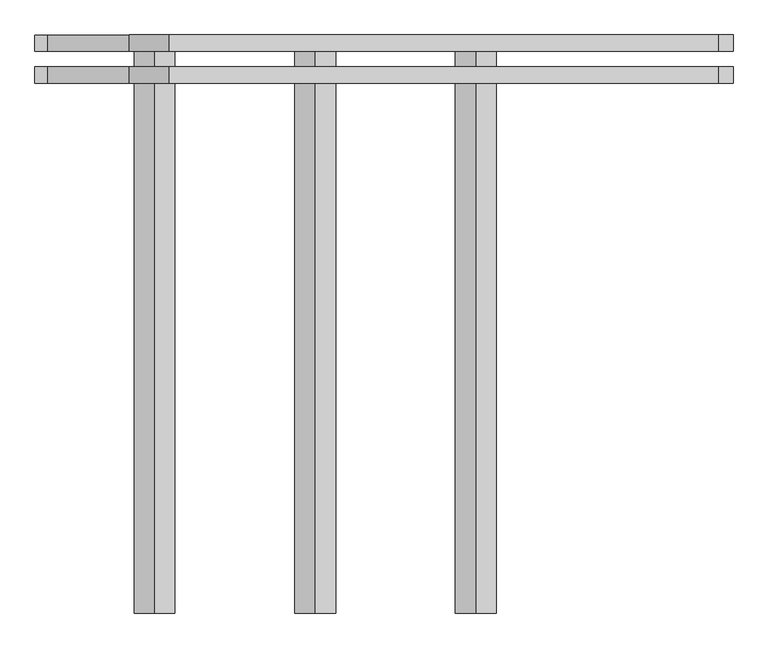
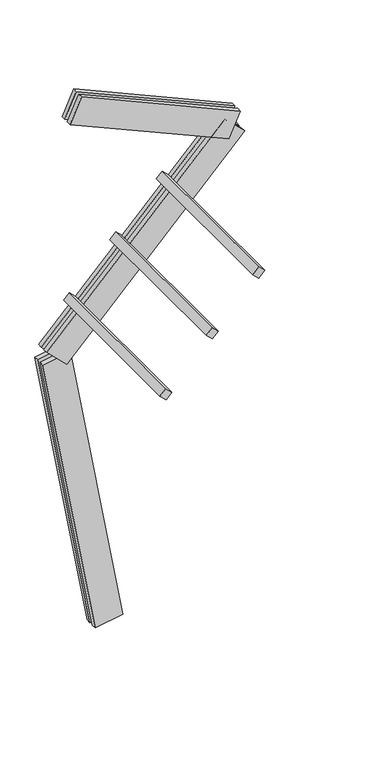
"""IFC4 building model written with IfcOpenShell, lengths in millimetres: proxy geometry."""

from ifc_helpers import new_model, si_unit, frame, origin, place, context, project, spatial, polyline, outline, extrude, source, transform, mapped, element, save


def generic_models_823792be(model_context):
    return source(origin(), model_context, "Body", "SweptSolid", [
        extrude(outline(polyline([(0.0, -1500.0), (0.0, 0.0), (75.0, 0.0), (75.0, -1500.0), (0.0, -1500.0)])), frame((-334.8546916, 62.5, 3085.6485274), z_axis=(0.6946583704589979, 0.0, 0.7193398003386506), x_axis=(0.7193398003386506, 0.0, -0.6946583704589979)), (0.0, 0.0, 1.0), 75.0),
        extrude(outline(polyline([(0.0, -1500.0), (0.0, 0.0), (75.0, 0.0), (75.0, -1500.0), (0.0, -1500.0)])), frame((81.9403307, 62.5, 3517.2524076), z_axis=(0.6946583704589979, 0.0, 0.7193398003386506), x_axis=(0.7193398003386506, 0.0, -0.6946583704589979)), (0.0, 0.0, 1.0), 75.0),
        extrude(outline(polyline([(0.0, -1500.0), (0.0, 0.0), (75.0, 0.0), (75.0, -1500.0), (0.0, -1500.0)])), frame((498.735353, 62.5, 3948.8562878), z_axis=(0.6946583704589979, 0.0, 0.7193398003386506), x_axis=(0.7193398003386506, 0.0, -0.6946583704589979)), (0.0, 0.0, 1.0), 75.0),
        extrude(outline(polyline([(1560.0000001, -125.0), (0.0, -125.0), (0.0, -82.5), (1560.0000001, -82.5), (1560.0000001, -125.0)])), frame((1078.022092, -62.5, 4199.2692917), z_axis=(0.40673664307580293, 0.0, 0.9135454576425998), x_axis=(-0.9135454576425998, 0.0, 0.40673664307580293)), (0.0, 0.0, 1.0), 250.0),
        extrude(outline(polyline([(0.0, 0.0), (1560.0000001, 0.0), (1560.0000001, -42.5), (0.0, -42.5), (0.0, 0.0)])), frame((1078.022092, -62.5, 4199.2692917), z_axis=(0.40673664307580293, 0.0, 0.9135454576425998), x_axis=(-0.9135454576425998, 0.0, 0.40673664307580293)), (0.0, 0.0, 1.0), 250.0),
        extrude(outline(polyline([(-125.0, -249.9999999), (-125.0, 0.0), (-82.5, 0.0), (-82.5, -249.9999999), (-125.0, -249.9999999)])), frame((-378.9326047, -62.5, 2572.1486368), z_axis=(0.6946583704589979, 0.0, 0.7193398003386506), x_axis=(0.0, -1.0, 0.0)), (0.0, 0.0, 1.0), 2300.0),
        extrude(outline(polyline([(0.0, 0.0), (0.0, -249.9999999), (-42.5, -249.9999999), (-42.5, 0.0), (0.0, 0.0)])), frame((-378.9326047, -62.5, 2572.1486368), z_axis=(0.6946583704589979, 0.0, 0.7193398003386506), x_axis=(0.0, -1.0, 0.0)), (0.0, 0.0, 1.0), 2300.0),
        extrude(outline(polyline([(-125.0, -249.9999999), (-125.0, 0.0), (-82.5, 0.0), (-82.5, -249.9999999), (-125.0, -249.9999999)])), frame((123.1009691, -62.5, 21.7060222), z_axis=(-0.17364817766693158, 0.0, 0.9848077530122079), x_axis=(0.0, -1.0, 0.0)), (0.0, 0.0, 1.0), 2700.0),
        extrude(outline(polyline([(0.0, 0.0), (0.0, -249.9999999), (-42.5, -249.9999999), (-42.5, 0.0), (0.0, 0.0)])), frame((123.1009691, -62.5, 21.7060222), z_axis=(-0.17364817766693158, 0.0, 0.9848077530122079), x_axis=(0.0, -1.0, 0.0)), (0.0, 0.0, 1.0), 2700.0),
    ])


if __name__ == "__main__":
    model = new_model("IFC4")
    model_context = context("Model", 3, world=origin())
    ifc_project = project(units=[si_unit("LENGTHUNIT", "METRE", prefix="MILLI")], contexts=[model_context])
    site = spatial("IfcSite", under=ifc_project)
    building = spatial("IfcBuilding", under=site)
    placement = place(None, origin())
    generic_models_shape = generic_models_823792be(model_context)
    element("IfcBuildingElementProxy", 1, Name="Generic Models", at=placement, inside=building, context=model_context, shape_type="MappedRepresentation", body=[
        mapped(generic_models_shape, transform((0.0, 0.0, 0.0), x_axis=(1.0, 0.0, 0.0), y_axis=(0.0, 1.0, 0.0), z_axis=(0.0, 0.0, 1.0))),
    ])
    save(model, "model.ifc")
